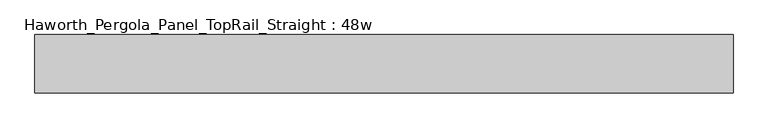
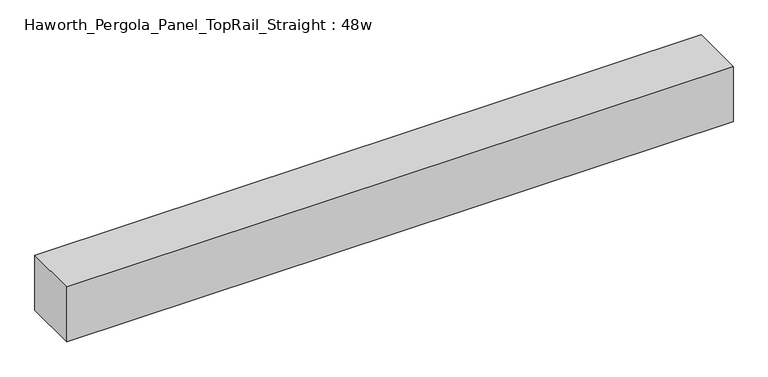
"""IFC4 building model written with IfcOpenShell, lengths in millimetres: furniture geometry, Haworth_Pergola_Panel_TopRail_Straight : 48w."""

from ifc_helpers import new_model, si_unit, frame, origin, place, context, project, spatial, polyline, outline, extrude, source, transform, mapped, element, save


def haworth_pergola_panel_toprail_straight_48w_e6a98063(model_context):
    return source(origin(), model_context, "Body", "SweptSolid", [
        extrude(outline(polyline([(2120.9, 50.8), (2120.9, -50.8), (901.7, -50.8), (901.7, 50.8), (2120.9, 50.8)])), frame((0.0, 0.0, 2331.8390625), z_axis=(0.0, 0.0, 1.0), x_axis=(1.0, 0.0, 0.0)), (0.0, 0.0, 1.0), 106.5609375),
    ])


if __name__ == "__main__":
    model = new_model("IFC4")
    model_context = context("Model", 3, world=origin())
    ifc_project = project(units=[si_unit("LENGTHUNIT", "METRE", prefix="MILLI")], contexts=[model_context])
    site = spatial("IfcSite", under=ifc_project)
    building = spatial("IfcBuilding", under=site)
    placement = place(None, origin())
    haworth_pergola_panel_toprail_straight_48w_shape = haworth_pergola_panel_toprail_straight_48w_e6a98063(model_context)
    element("IfcFurniture", 1, ObjectType="Haworth_Pergola_Panel_TopRail_Straight : 48w", at=placement, inside=building, context=model_context, shape_type="MappedRepresentation", body=[
        mapped(haworth_pergola_panel_toprail_straight_48w_shape, transform((0.0, 0.0, 0.0), x_axis=(1.0, 0.0, 0.0), y_axis=(0.0, 1.0, 0.0), z_axis=(0.0, 0.0, 1.0))),
    ])
    save(model, "model.ifc")
